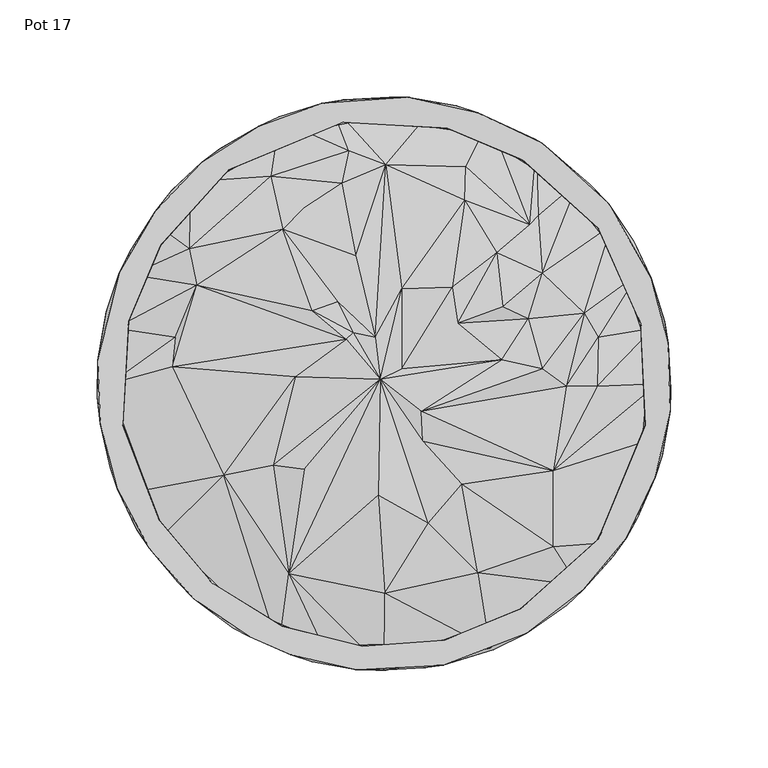
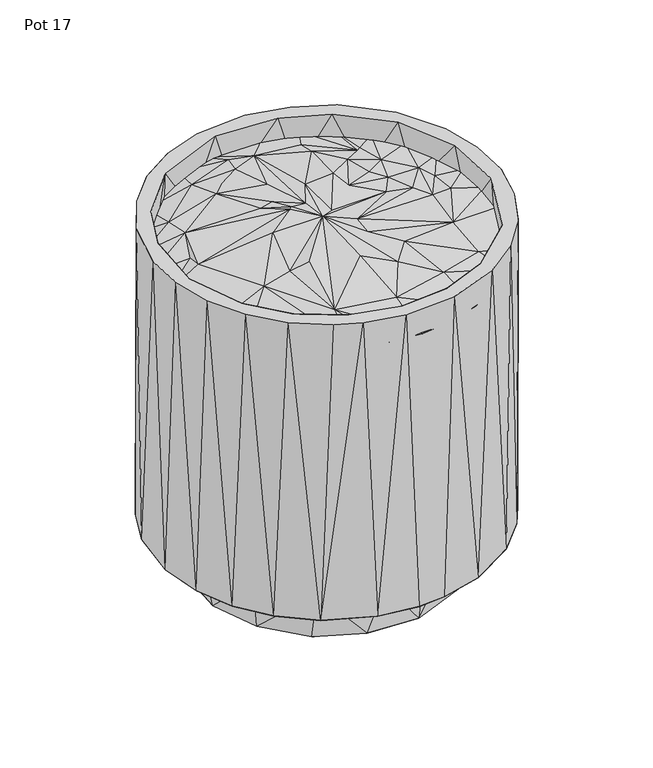
"""IFC4 building model written with IfcOpenShell, lengths in millimetres: furniture geometry, Pot 17."""

import ifcopenshell
import ifcopenshell.guid

model = None  # the IFC model being written
_history = None  # IfcOwnerHistory: only IFC2X3 demands one
_inside = {}  # id of a spatial element -> (the spatial element, [elements in it])
_under = {}  # id of a project, library or spatial element -> (it, [spatial elements below it])
_declared = {}  # id of a project -> (the project, [libraries it declares])
_typed = {}  # id of a type object -> (the type object, [elements of that type])
_made_of = {}  # id of a material, layer set ... -> (it, [elements and type objects made of it])


def new_model(schema):
    """Start an empty IFC model of exactly this schema.

    Asked for "IFC4X3", IfcOpenShell would pick the latest addendum, in which some entities
    have other attributes; the version numbers below select the first issue.
    IFC2X3 requires an IfcOwnerHistory on every rooted entity: one is made here for all.
    """
    global model, _history
    if schema == "IFC4X3":
        model = ifcopenshell.file(schema_version=(4, 3, 0, 0))
    else:
        model = ifcopenshell.file(schema=schema)
    _inside.clear()
    _under.clear()
    _declared.clear()
    _typed.clear()
    _made_of.clear()
    _history = None
    if model.schema == "IFC2X3":
        org = make("IfcOrganization", Name="unknown")
        user = make(
            "IfcPersonAndOrganization",
            ThePerson=make("IfcPerson", FamilyName="unknown"),
            TheOrganization=org,
        )
        app = make(
            "IfcApplication",
            ApplicationDeveloper=org,
            Version="unknown",
            ApplicationFullName="unknown",
            ApplicationIdentifier="unknown",
        )
        _history = make(
            "IfcOwnerHistory",
            OwningUser=user,
            OwningApplication=app,
            ChangeAction="ADDED",
            CreationDate=0,
        )
    return model


def make(cls, **values):
    """One entity of the class cls with the attributes given. An attribute that is None is left unset."""
    return model.create_entity(
        cls, **{name: value for name, value in values.items() if value is not None}
    )


def rooted(cls, **values):
    """An entity with a GlobalId (a new one), such as an element, a storey or a relation."""
    return make(cls, GlobalId=ifcopenshell.guid.new(), OwnerHistory=_history, **values)


def si_unit(unit_type, name, prefix=None):
    """IfcSIUnit, for example si_unit("LENGTHUNIT", "METRE", prefix="MILLI")."""
    return make("IfcSIUnit", UnitType=unit_type, Prefix=prefix, Name=name)


def assignment(units):
    """IfcUnitAssignment: the units of a project."""
    return None if units is None else make("IfcUnitAssignment", Units=units)


def point(xyz):
    """IfcCartesianPoint."""
    return None if xyz is None else make("IfcCartesianPoint", Coordinates=xyz)


def direction(xyz):
    """IfcDirection."""
    return None if xyz is None else make("IfcDirection", DirectionRatios=xyz)


def frame(location, z_axis=None, x_axis=None):
    """IfcAxis2Placement3D, a coordinate frame: its origin and axes. An axis left out is left unset."""
    return make(
        "IfcAxis2Placement3D",
        Location=point(location),
        Axis=direction(z_axis),
        RefDirection=direction(x_axis),
    )


def origin():
    """The frame at (0, 0, 0) with its axes left unset."""
    return frame((0.0, 0.0, 0.0))


def place(relative_to, where):
    """IfcLocalPlacement: puts the frame where relative to a parent placement (None: the world)."""
    return make(
        "IfcLocalPlacement", PlacementRelTo=relative_to, RelativePlacement=where
    )


def context(
    kind, dimensions, precision=None, world=None, true_north=None, identifier=None
):
    """IfcGeometricRepresentationContext, for example the 3D "Model" context."""
    return make(
        "IfcGeometricRepresentationContext",
        ContextIdentifier=identifier,
        ContextType=kind,
        CoordinateSpaceDimension=dimensions,
        Precision=precision,
        WorldCoordinateSystem=world,
        TrueNorth=true_north,
    )


def project(units=None, contexts=None):
    """IfcProject with its units and contexts."""
    return rooted(
        "IfcProject",
        Name="project",
        RepresentationContexts=contexts,
        UnitsInContext=assignment(units),
    )


def spatial(cls, under=None, at=None, **own):
    """A site, building, storey or space (cls), placed at a placement, below another one or the project."""
    s = rooted(cls, ObjectPlacement=at, **own)
    if under is not None:
        _under.setdefault(under.id(), (under, []))[1].append(s)
    return s


def point_list(points):
    """IfcCartesianPointList2D or 3D."""
    cls = (
        "IfcCartesianPointList2D" if len(points[0]) == 2 else "IfcCartesianPointList3D"
    )
    return make(cls, CoordList=points)


def triangles(points, corners, closed=None, point_numbers=None):
    """IfcTriangulatedFaceSet: each triangle names its three corners, points numbered from 1."""
    return make(
        "IfcTriangulatedFaceSet",
        Coordinates=point_list(points),
        Closed=closed,
        CoordIndex=corners,
        PnIndex=point_numbers,
    )


def shape(context_of_items, identifier, shape_type, items):
    """IfcShapeRepresentation: the items that make up one representation, for example the "Body"."""
    return make(
        "IfcShapeRepresentation",
        ContextOfItems=context_of_items,
        RepresentationIdentifier=identifier,
        RepresentationType=shape_type,
        Items=items,
    )


def source(mapping_origin, context_of_items, identifier, shape_type, items):
    """IfcRepresentationMap: a shape defined once, which mapped items show again and again."""
    return make(
        "IfcRepresentationMap",
        MappingOrigin=mapping_origin,
        MappedRepresentation=shape(context_of_items, identifier, shape_type, items),
    )


def transform(
    local_origin,
    x_axis=None,
    y_axis=None,
    z_axis=None,
    scale=None,
    scale2=None,
    scale3=None,
    uniform=True,
):
    """IfcCartesianTransformationOperator3D, or its non-uniform kind. x_axis, y_axis, z_axis: its Axis1, 2, 3."""
    if uniform:
        return make(
            "IfcCartesianTransformationOperator3D",
            Axis1=direction(x_axis),
            Axis2=direction(y_axis),
            LocalOrigin=point(local_origin),
            Scale=scale,
            Axis3=direction(z_axis),
        )
    return make(
        "IfcCartesianTransformationOperator3DnonUniform",
        Axis1=direction(x_axis),
        Axis2=direction(y_axis),
        LocalOrigin=point(local_origin),
        Scale=scale,
        Axis3=direction(z_axis),
        Scale2=scale2,
        Scale3=scale3,
    )


def mapped(mapping_source, mapping_target):
    """IfcMappedItem: shows the shape of a source again, moved by a transform."""
    return make(
        "IfcMappedItem", MappingSource=mapping_source, MappingTarget=mapping_target
    )


def made_of(thing, what):
    """Note that an element or type object is made of a material, layer set ...; save() writes the relation."""
    if what is not None:
        _made_of.setdefault(what.id(), (what, []))[1].append(thing)
    return thing


def element(
    cls,
    number,
    at=None,
    inside=None,
    cuts=None,
    type_object=None,
    material=None,
    context=None,
    identifier="Body",
    shape_type=None,
    held_by="IfcProductDefinitionShape",
    body=None,
    shapes=None,
    **own,
):
    """One element of the class cls, such as IfcWall. Its Tag is "e" and its number.

    at: its placement. inside: the storey or other place that contains it. cuts: it is an
    opening in that element (IfcRelVoidsElement). A single representation is given by context,
    identifier, shape_type and body (its items); several are given by shapes. held_by: the class
    of the entity that holds the representations. save() writes the other relations.
    """
    e = rooted(cls, Tag="e%d" % number, ObjectPlacement=at, **own)
    if body is not None:
        shapes = [shape(context, identifier, shape_type, body)]
    if shapes is not None:
        e.Representation = make(held_by, Representations=shapes)
    if inside is not None:
        _inside.setdefault(inside.id(), (inside, []))[1].append(e)
    if cuts is not None:
        rooted(
            "IfcRelVoidsElement", RelatingBuildingElement=cuts, RelatedOpeningElement=e
        )
    if type_object is not None:
        _typed.setdefault(type_object.id(), (type_object, []))[1].append(e)
    return made_of(e, material)


def aggregate(whole, parts):
    """IfcRelAggregates: a whole, such as a stair, and the parts it consists of."""
    return rooted("IfcRelAggregates", RelatingObject=whole, RelatedObjects=parts)


def save(model, path):
    """Write the relations noted so far, then the file.

    IfcRelAggregates (storeys below a building ...), IfcRelContainedInSpatialStructure (elements
    in a storey), IfcRelDefinesByType, IfcRelAssociatesMaterial and IfcRelDeclares: one each for
    every whole, place, type object, material and project.
    """
    for whole, parts in _under.values():
        aggregate(whole, parts)
    for where, things in _inside.values():
        rooted(
            "IfcRelContainedInSpatialStructure",
            RelatedElements=things,
            RelatingStructure=where,
        )
    for kind, things in _typed.values():
        rooted("IfcRelDefinesByType", RelatedObjects=things, RelatingType=kind)
    for what, things in _made_of.values():
        rooted("IfcRelAssociatesMaterial", RelatedObjects=things, RelatingMaterial=what)
    for by, libraries in _declared.values():
        rooted("IfcRelDeclares", RelatingContext=by, RelatedDefinitions=libraries)
    model.write(path)


def pot_17_6a063218(model_context):
    return source(origin(), model_context, "Body", "Tessellation", [
        triangles([(-77.4630316, -121.3518861, 294.4934707), (-54.0170653, -136.1748457, 295.8243124), (-117.4603721, -82.0751592, 295.94618), (-98.6537893, -103.2183908, 294.4934707), (-27.2766349, -144.1211721, 295.387148), (-48.8519691, -98.0654622, 305.7890748), (-82.464098, -47.2700298, 308.8529866), (0.3150701, -147.5354713, 295.9032865), (27.5075438, -143.123713, 294.4934707), (54.5930885, -136.3384259, 295.9959589), (0.5767345, -107.8718313, 306.0446915), (77.9162652, -121.3518043, 294.4934707), (99.7708996, -103.7965259, 295.2486935), (48.2450703, -97.558362, 306.5707131), (-2.797842, -57.6562418, 315.8610981), (-56.9572429, -42.2014166, 310.7485468), (-40.8573172, -44.2310211, 315.3346767), (-1.7976761, 2.0748414, 316.406014), (22.7923383, -71.8391515, 309.9178199), (87.1510485, -84.1294397, 304.2004181), (40.1632779, -51.7840167, 311.0874069), (117.8644899, -81.7843521, 295.778058), (-130.2357915, -56.2464441, 295.5992171), (20.1609128, -29.7705302, 313.3452996), (87.1661911, -45.044557, 308.2458289), (129.4199256, -55.9136429, 294.4934707), (138.3748023, -28.7442666, 295.3483422), (-108.8128077, 8.5601175, 304.6747715), (-140.7980919, -0.2081096, 295.4927374), (-136.924264, -28.5605932, 294.493398), (-45.5873019, 3.6028699, 315.4080371), (19.2940235, -14.402993, 316.6489134), (141.0486671, -0.13192, 295.3214725), (94.0190522, -1.4736056, 305.2526977), (110.0205192, -1.3755299, 305.838236), (60.672523, 12.3428444, 311.3181341), (81.5725282, 7.4903739, 311.0271272), (-107.2663087, 23.7315547, 300.7765356), (-138.4005547, 28.5593078, 295.750734), (-19.463063, 22.6699848, 316.7261616), (-96.3586533, 50.5273165, 304.8331012), (9.2408655, 7.4839926, 315.0453412), (9.3532803, 48.6917136, 314.5569263), (-15.7972575, 26.1871416, 315.5513423), (-4.4056177, 23.9181939, 316.398965), (38.0697261, 30.9541607, 314.2086554), (35.1082086, 49.6403839, 315.4292204), (74.4378574, 33.3138641, 307.7566509), (103.078601, 36.1893812, 304.9111487), (110.4460928, 23.7317182, 302.1553395), (138.6072645, 28.5747252, 295.5492383), (-129.7713485, 55.926342, 295.202875), (-36.8429433, 37.3685289, 315.0136934), (-23.649692, 42.1603081, 313.6619227), (-51.9627349, 79.3326031, 308.5667032), (1.0462999, 112.5256806, 305.3353234), (-14.4225356, 65.7292683, 312.2851172), (61.2956272, 39.497094, 313.8136213), (58.1089258, 67.2123582, 309.6610768), (81.6918614, 56.7436794, 307.2827336), (130.3766986, 56.095881, 295.3746305), (117.3831239, 81.4037431, 295.3624765), (-100.2095901, 69.2768261, 304.6032824), (-116.4786824, 81.1563018, 294.9271288), (41.6823622, 94.3149735, 306.6756123), (75.0669251, 81.6652187, 303.4176898), (79.4870813, 86.3151983, 301.6719569), (100.0105107, 103.8088526, 295.5390282), (-99.7586274, 104.0076595, 295.7837262), (-58.1392065, 106.6216079, 302.3181929), (-41.6187033, 89.98823, 307.5096457), (-21.5719936, 103.0170314, 306.6850957), (78.4169432, 121.9174311, 295.3052489), (42.1432261, 111.7345588, 301.7498591), (54.1914687, 135.5824491, 295.4365999), (-53.7641057, 135.5723571, 295.4365999), (-77.4632677, 121.1236478, 294.493398), (-17.9941653, 119.7666449, 303.8421551), (27.7007824, 144.3691403, 295.78934), (-27.3271792, 143.7521721, 295.2759265), (0.2266169, 145.697384, 294.493398)], [[1, 2, 3], [1, 3, 4], [2, 5, 6], [2, 6, 7], [2, 7, 3], [5, 8, 6], [8, 9, 10], [8, 10, 11], [8, 11, 6], [10, 12, 13], [10, 14, 11], [10, 13, 14], [6, 11, 15], [6, 16, 7], [6, 17, 16], [6, 15, 18], [6, 18, 17], [11, 14, 19], [11, 19, 15], [14, 13, 20], [14, 20, 21], [14, 21, 19], [13, 22, 20], [3, 7, 23], [19, 21, 24], [19, 24, 18], [19, 18, 15], [20, 22, 25], [20, 25, 21], [22, 26, 27], [22, 27, 25], [23, 7, 28], [23, 29, 30], [23, 28, 29], [7, 16, 31], [7, 31, 28], [16, 17, 18], [16, 18, 31], [21, 25, 24], [25, 32, 24], [25, 27, 33], [25, 34, 32], [25, 35, 34], [25, 33, 35], [32, 18, 24], [32, 36, 18], [32, 37, 36], [32, 34, 37], [29, 28, 38], [29, 38, 39], [28, 40, 41], [28, 31, 40], [28, 41, 38], [31, 18, 40], [18, 42, 43], [18, 36, 42], [18, 44, 40], [18, 45, 44], [18, 43, 45], [42, 36, 46], [42, 46, 47], [42, 47, 43], [36, 37, 48], [36, 48, 46], [37, 34, 49], [37, 49, 48], [34, 35, 50], [34, 50, 49], [35, 33, 51], [35, 51, 50], [39, 38, 41], [39, 41, 52], [53, 40, 44], [53, 44, 54], [53, 41, 40], [53, 54, 55], [53, 55, 41], [44, 45, 54], [45, 43, 56], [45, 57, 54], [45, 56, 57], [46, 48, 58], [46, 58, 59], [46, 59, 47], [48, 49, 60], [48, 60, 58], [49, 50, 61], [49, 61, 62], [49, 62, 60], [50, 51, 61], [52, 41, 63], [52, 63, 64], [41, 55, 63], [54, 57, 55], [43, 47, 65], [43, 65, 56], [47, 59, 65], [58, 60, 59], [60, 66, 59], [60, 67, 66], [60, 62, 68], [60, 68, 67], [64, 63, 69], [63, 55, 70], [63, 70, 69], [55, 71, 70], [55, 57, 71], [71, 57, 72], [71, 72, 70], [57, 56, 72], [59, 66, 65], [66, 67, 73], [66, 74, 65], [66, 75, 74], [66, 73, 75], [67, 68, 73], [69, 70, 76], [69, 76, 77], [70, 72, 78], [70, 78, 76], [72, 56, 78], [56, 65, 74], [56, 74, 79], [56, 80, 78], [56, 79, 80], [74, 75, 79], [76, 78, 80], [80, 79, 81]], closed=False),
        triangles([(27.695775, -132.7950103, 265.3358209), (-11.1041074, -135.1804842, 318.5187484), (31.1880105, -132.0712081, 318.518603), (67.3521752, -117.8126671, 265.3358209), (-74.169637, -113.3572886, 265.3359481), (-112.8486351, -75.9911328, 265.3358209), (-88.3300281, -102.7252705, 318.5187484), (-52.2875788, -125.0685287, 318.5186757), (70.4494698, -116.0454603, 318.5186757), (107.3316299, -84.2077598, 265.3358936), (-134.9719759, -16.3849442, 265.3359481), (-134.3034483, -21.5062954, 318.5150422), (-115.7052558, -70.3368722, 318.518712), (110.480066, -80.1138872, 318.5150422), (130.9168364, -35.875179, 265.3359481), (134.7216368, -21.5808366, 318.5576268), (135.4262813, 16.1600601, 265.3359481), (-130.4640751, 35.6462367, 265.3358209), (-131.4046427, 32.206989, 318.518712), (132.1834288, 30.8489437, 318.518712), (117.9246879, 67.0122932, 265.3358209), (-113.0175565, 74.2816487, 265.3358936), (-114.9748589, 71.3006397, 318.5185667), (-84.4845779, 105.6353581, 265.3358936), (-79.9106383, 110.040458, 318.5150059), (110.3802901, 80.0238218, 318.5150059), (91.4220814, 100.0969153, 265.3358027), (-47.6601132, 126.6367742, 265.3358936), (71.6403719, 115.0877244, 318.5187484), (47.1072218, 127.735717, 265.3359481), (-6.1485766, 135.2308717, 265.3358209), (-21.1676351, 134.4158052, 318.5148969), (32.5469982, 131.517263, 318.518603), (-69.1112294, -130.4259325, 318.5290675), (-97.7690232, -110.8644902, 318.5488701), (-47.8401168, -139.6822897, 318.5287042), (-13.9555935, -147.3133283, 318.5488338), (30.2479266, -145.0612855, 318.5351718), (73.5697736, -128.6899738, 318.5352808), (102.7610332, -106.3042853, 318.5288858), (-120.6966662, -84.774195, 318.5288132), (124.9433729, -79.57751, 318.5489791), (-137.368323, -54.3030807, 318.5489791), (139.7947102, -48.1805938, 318.5288495), (-145.9442349, -20.6828718, 318.5290675), (147.4254127, -14.2977158, 318.5488701), (-147.2978587, 12.0359546, 318.5351355), (146.4045084, 20.4210895, 318.5288132), (-136.3225021, 57.0304397, 318.5350991), (137.8207209, 54.0769045, 318.5488701), (-117.6577801, 88.7293043, 318.5287042), (115.745306, 92.4412597, 318.5351718), (-93.8303465, 114.0008358, 318.5487247), (-64.474939, 132.5641559, 318.5287405), (-31.7721363, 144.263896, 318.5488338), (81.4912286, 123.607962, 318.5352808), (12.3770232, 147.4105607, 318.5351718), (48.2932323, 139.4544693, 318.5288495), (-65.969111, -91.7219813, 0.0458899), (-26.4261963, -109.3739108, 0.2116994), (-62.9712335, -94.8779024, 40.0811972), (-95.8523706, -58.5534481, 0.0022065), (18.0826183, -111.7422255, 0.0032328), (-11.9348763, -112.0049093, 40.0840586), (66.8143038, -91.4694804, 0.0152357), (56.1556839, -97.7838297, 40.0840586), (23.2357978, -110.2868456, 40.0840995), (105.537299, -43.3361175, 0.0022958), (83.5993303, -75.7210912, 40.0839632), (-97.4428622, -56.0442127, 40.0838724), (-111.3808195, -17.9652279, 0.2946487), (-109.0247588, 26.5171087, 0.0416064), (-91.3125314, 66.1627811, 0.0099705), (66.5018547, 91.425833, 0.0046607), (96.3090651, 58.308573, 0.041651), (111.8322636, 17.7411455, 0.2939794), (113.2698031, -4.1504056, 40.0826688), (102.8826191, -46.2569649, 40.0840086), (-113.5857086, -4.6877936, 40.0810655), (-102.4297489, 46.0287811, 40.0838315), (105.4436002, 39.8463823, 40.0838724), (83.0127019, 76.9635798, 40.0826279), (-83.1462148, 75.4931709, 40.0838724), (-51.2398502, 100.5143044, 0.2944702), (8.7090728, 113.3762283, 0.0657906), (-55.7029226, 97.555755, 40.0837861), (-22.7831592, 110.0587981, 40.0837861), (12.3873946, 111.7769436, 40.0837452), (46.3696715, 102.5421149, 40.0837452), (-77.5743711, -126.042797, 40.1471498), (-105.9638264, -102.6484855, 40.149289), (-36.8083705, -143.282506, 40.1422809), (-2.358675, -147.7047833, 40.1494707), (20.7961802, -146.2843849, 40.1494707), (56.3744296, -137.0753903, 40.1470589), (94.2833439, -114.2283837, 40.14224), (-127.1963149, -75.1622908, 40.1420629), (118.1102961, -88.9570883, 40.1493344), (130.5713633, -69.3895055, 40.149289), (-140.9394713, -43.263493, 40.1492027), (143.3949446, -37.1486023, 40.1421946), (-147.6327219, -7.0906879, 40.1470135), (147.817013, -2.6992186, 40.1492027), (-142.941711, 36.9212247, 40.1420629), (144.6038461, 31.8845364, 40.1420629), (-130.1044223, 69.1940732, 40.1492027), (128.8025396, 73.2288514, 40.1469681), (-109.2596009, 99.5045187, 40.1469681), (78.0272504, 125.8146133, 40.1467909), (106.4169419, 102.4203926, 40.1493344), (-84.4031603, 120.8270544, 40.149021), (-53.9641389, 137.4801531, 40.1419311), (-20.3086146, 146.0640404, 40.1492027), (2.8471946, 147.4732931, 40.149021), (37.261486, 143.0543677, 40.141972), (-26.0763176, -133.7233784, 265.3359481)], [[1, 2, 3], [1, 3, 4], [5, 6, 7], [5, 7, 8], [4, 3, 9], [4, 9, 10], [6, 11, 12], [6, 13, 7], [6, 12, 13], [10, 9, 14], [10, 14, 15], [15, 14, 16], [15, 16, 17], [11, 18, 19], [11, 19, 12], [17, 20, 21], [17, 16, 20], [18, 22, 23], [18, 23, 19], [22, 24, 25], [22, 25, 23], [21, 20, 26], [21, 26, 27], [24, 28, 25], [27, 26, 29], [27, 29, 30], [28, 31, 32], [28, 32, 25], [31, 30, 33], [31, 33, 32], [30, 29, 33], [34, 8, 35], [34, 36, 8], [8, 36, 2], [8, 7, 35], [36, 37, 2], [37, 38, 3], [37, 3, 2], [38, 39, 9], [38, 9, 3], [39, 40, 14], [39, 14, 9], [35, 7, 41], [7, 13, 41], [40, 42, 14], [41, 13, 43], [13, 12, 43], [14, 42, 16], [42, 44, 16], [43, 12, 45], [44, 46, 16], [45, 12, 47], [12, 19, 47], [16, 46, 20], [46, 48, 20], [47, 19, 49], [48, 50, 20], [49, 19, 23], [49, 23, 51], [20, 50, 26], [50, 52, 26], [23, 53, 51], [23, 25, 53], [26, 52, 29], [53, 25, 54], [25, 55, 54], [25, 32, 55], [29, 52, 56], [29, 56, 33], [55, 32, 57], [32, 33, 57], [57, 33, 58], [33, 56, 58], [59, 60, 61], [59, 61, 62], [59, 63, 60], [59, 62, 63], [60, 63, 64], [60, 64, 61], [63, 65, 66], [63, 67, 64], [63, 66, 67], [63, 62, 68], [63, 68, 65], [65, 68, 69], [65, 69, 66], [62, 61, 70], [62, 70, 71], [62, 71, 72], [62, 72, 73], [62, 73, 74], [62, 74, 68], [68, 75, 76], [68, 74, 75], [68, 76, 77], [68, 78, 69], [68, 77, 78], [71, 70, 79], [71, 79, 72], [72, 79, 80], [72, 80, 73], [76, 75, 81], [76, 81, 77], [75, 74, 82], [75, 82, 81], [73, 80, 83], [73, 83, 84], [73, 84, 85], [73, 85, 74], [84, 83, 86], [84, 86, 87], [84, 87, 85], [85, 87, 88], [85, 88, 89], [85, 89, 74], [74, 89, 82], [90, 91, 61], [90, 61, 92], [90, 92, 36], [90, 34, 35], [90, 36, 34], [90, 35, 91], [92, 61, 64], [92, 64, 93], [92, 93, 37], [92, 37, 36], [93, 64, 94], [93, 94, 38], [93, 38, 37], [94, 64, 67], [94, 67, 95], [94, 95, 38], [95, 67, 66], [95, 66, 96], [95, 96, 39], [95, 39, 38], [91, 97, 70], [91, 70, 61], [91, 35, 41], [91, 41, 97], [66, 69, 96], [96, 98, 40], [96, 40, 39], [96, 69, 98], [98, 99, 42], [98, 42, 40], [98, 69, 99], [97, 100, 79], [97, 79, 70], [97, 41, 43], [97, 43, 100], [69, 78, 99], [99, 101, 44], [99, 44, 42], [99, 78, 101], [100, 102, 79], [100, 43, 45], [100, 45, 102], [78, 77, 101], [101, 77, 103], [101, 103, 46], [101, 46, 44], [102, 104, 79], [102, 45, 47], [102, 47, 104], [79, 104, 80], [77, 81, 105], [77, 105, 103], [103, 105, 48], [103, 48, 46], [104, 47, 49], [104, 49, 106], [104, 106, 80], [80, 106, 83], [81, 82, 107], [81, 107, 105], [105, 107, 50], [105, 50, 48], [106, 49, 51], [106, 51, 108], [106, 108, 83], [83, 108, 86], [82, 89, 109], [82, 110, 107], [82, 109, 110], [107, 110, 52], [107, 52, 50], [108, 51, 53], [108, 53, 111], [108, 111, 86], [86, 111, 112], [86, 112, 87], [87, 112, 113], [87, 113, 88], [88, 113, 114], [88, 114, 115], [88, 115, 89], [89, 115, 109], [110, 109, 56], [110, 56, 52], [111, 53, 54], [111, 54, 112], [112, 54, 55], [112, 55, 113], [113, 55, 57], [113, 57, 114], [114, 57, 115], [115, 57, 58], [115, 58, 109], [109, 58, 56], [116, 5, 8], [116, 8, 2], [116, 2, 1]], closed=False),
    ])


if __name__ == "__main__":
    model = new_model("IFC4")
    model_context = context("Model", 3, world=origin())
    ifc_project = project(units=[si_unit("LENGTHUNIT", "METRE", prefix="MILLI")], contexts=[model_context])
    site = spatial("IfcSite", under=ifc_project)
    building = spatial("IfcBuilding", under=site)
    placement = place(None, origin())
    pot_17_shape = pot_17_6a063218(model_context)
    element("IfcFurniture", 1, ObjectType="Pot 17", at=placement, inside=building, context=model_context, shape_type="MappedRepresentation", body=[
        mapped(pot_17_shape, transform((0.0, 0.0, 0.0), x_axis=(1.0, 0.0, 0.0), y_axis=(0.0, 1.0, 0.0), z_axis=(0.0, 0.0, 1.0))),
    ])
    save(model, "model.ifc")
